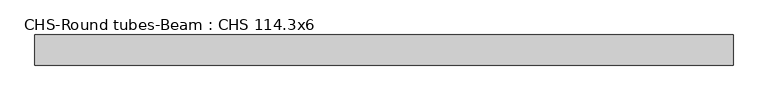
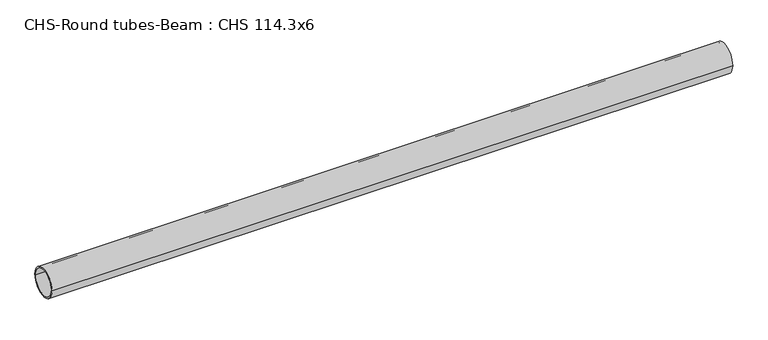
"""IFC4 building model written with IfcOpenShell, lengths in millimetres: beam geometry, CHS-Round tubes-Beam : CHS 114.3x6."""

from ifc_helpers import new_model, si_unit, point, frame, origin, origin_2d, place, context, project, spatial, circle_curve, trimmed, segment, composite_curve, outline, extrude, source, transform, mapped, element, save


def chs_round_tubes_beam_chs_114_3x6_a9d97776(model_context):
    return source(origin(), model_context, "Body", "SweptSolid", [
        extrude(outline(composite_curve([segment(trimmed(circle_curve(origin_2d(), 57.15), [point((57.15, 0.0))], [point((-57.15, 0.0))], False, "CARTESIAN"), True, "CONTINUOUS"), segment(trimmed(circle_curve(origin_2d(), 57.15), [point((-57.15, 0.0))], [point((57.15, 0.0))], False, "CARTESIAN"), True, "CONTINUOUS")], self_intersect=False), holes=[composite_curve([segment(trimmed(circle_curve(origin_2d(), 51.15), [point((51.15, 0.0))], [point((-51.15, 0.0))], True, "CARTESIAN"), True, "CONTINUOUS"), segment(trimmed(circle_curve(origin_2d(), 51.15), [point((-51.15, 0.0))], [point((51.15, 0.0))], True, "CARTESIAN"), True, "CONTINUOUS")], self_intersect=False)]), frame((-1279.058075, 0.0, 0.0), z_axis=(1.0, 0.0, 0.0), x_axis=(0.0, 1.0, 0.0)), (0.0, 0.0, 1.0), 2644.5719353),
    ])


if __name__ == "__main__":
    model = new_model("IFC4")
    model_context = context("Model", 3, world=origin())
    ifc_project = project(units=[si_unit("LENGTHUNIT", "METRE", prefix="MILLI")], contexts=[model_context])
    site = spatial("IfcSite", under=ifc_project)
    building = spatial("IfcBuilding", under=site)
    placement = place(None, origin())
    chs_round_tubes_beam_chs_114_3x6_shape = chs_round_tubes_beam_chs_114_3x6_a9d97776(model_context)
    element("IfcBeam", 1, ObjectType="CHS-Round tubes-Beam : CHS 114.3x6", at=placement, inside=building, context=model_context, shape_type="MappedRepresentation", body=[
        mapped(chs_round_tubes_beam_chs_114_3x6_shape, transform((0.0, 0.0, 0.0), x_axis=(1.0, 0.0, 0.0), y_axis=(0.0, 1.0, 0.0), z_axis=(0.0, 0.0, 1.0))),
    ])
    save(model, "model.ifc")
